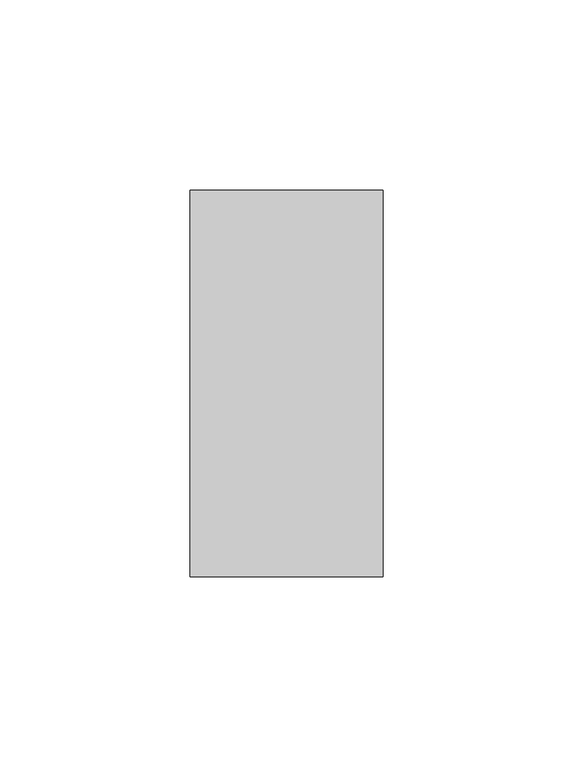
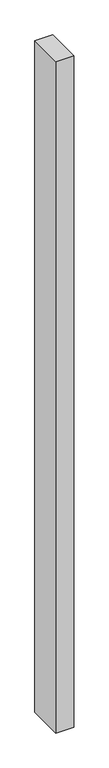
"""IFC4 building model written with IfcOpenShell, lengths in millimetres: proxy geometry."""

from ifc_helpers import new_model, si_unit, origin, origin_with_axes, place, context, project, spatial, polyline, outline, extrude, source, transform, mapped, element, save


def generic_models_d596b0c4(model_context):
    return source(origin(), model_context, "Body", "SweptSolid", [
        extrude(outline(polyline([(50.8, 0.0), (0.0, 0.0), (0.0, 101.6), (50.8, 101.6), (50.8, 0.0)])), origin_with_axes(), (0.0, 0.0, 1.0), 2000.0),
    ])


if __name__ == "__main__":
    model = new_model("IFC4")
    model_context = context("Model", 3, world=origin())
    ifc_project = project(units=[si_unit("LENGTHUNIT", "METRE", prefix="MILLI")], contexts=[model_context])
    site = spatial("IfcSite", under=ifc_project)
    building = spatial("IfcBuilding", under=site)
    placement = place(None, origin())
    generic_models_shape = generic_models_d596b0c4(model_context)
    element("IfcBuildingElementProxy", 1, Name="Generic Models", at=placement, inside=building, context=model_context, shape_type="MappedRepresentation", body=[
        mapped(generic_models_shape, transform((0.0, 0.0, 0.0), x_axis=(1.0, 0.0, 0.0), y_axis=(0.0, 1.0, 0.0), z_axis=(0.0, 0.0, 1.0))),
    ])
    save(model, "model.ifc")
